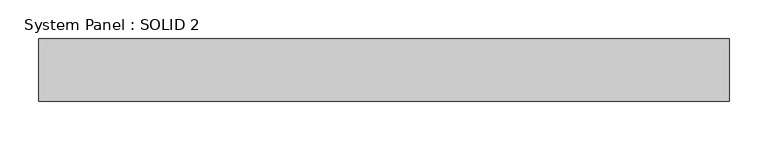
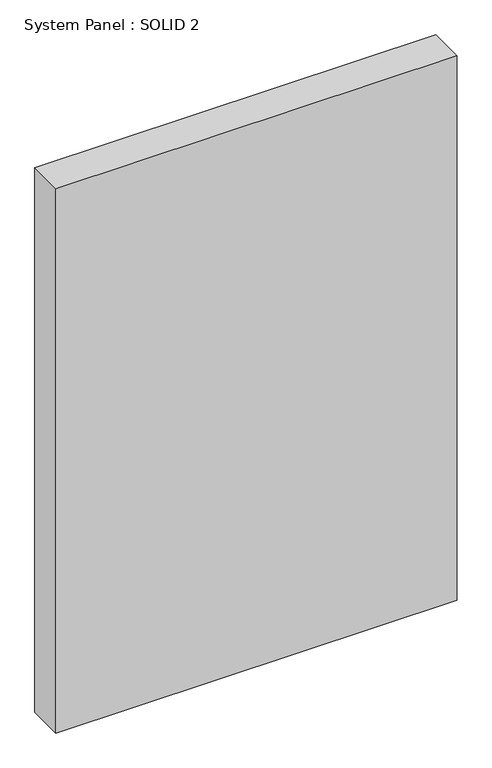
"""IFC4 building model written with IfcOpenShell, lengths in millimetres: plate geometry, System Panel : SOLID 2."""

from ifc_helpers import new_model, si_unit, origin, origin_with_axes, place, context, project, spatial, polyline, outline, extrude, source, transform, mapped, element, save


def system_panel_solid_2_211d6153(model_context):
    return source(origin(), model_context, "Body", "SweptSolid", [
        extrude(outline(polyline([(442.5, 80.0), (-442.5, 80.0), (-442.5, 160.0), (442.5, 160.0), (442.5, 80.0)])), origin_with_axes(), (0.0, 0.0, 1.0), 1269.6666667),
    ])


if __name__ == "__main__":
    model = new_model("IFC4")
    model_context = context("Model", 3, world=origin())
    ifc_project = project(units=[si_unit("LENGTHUNIT", "METRE", prefix="MILLI")], contexts=[model_context])
    site = spatial("IfcSite", under=ifc_project)
    building = spatial("IfcBuilding", under=site)
    placement = place(None, origin())
    system_panel_solid_2_shape = system_panel_solid_2_211d6153(model_context)
    element("IfcPlate", 1, ObjectType="System Panel : SOLID 2", at=placement, inside=building, context=model_context, shape_type="MappedRepresentation", body=[
        mapped(system_panel_solid_2_shape, transform((0.0, 0.0, 0.0), x_axis=(1.0, 0.0, 0.0), y_axis=(0.0, 1.0, 0.0), z_axis=(0.0, 0.0, 1.0))),
    ])
    save(model, "model.ifc")
